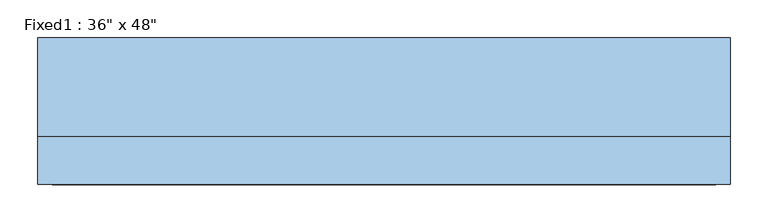
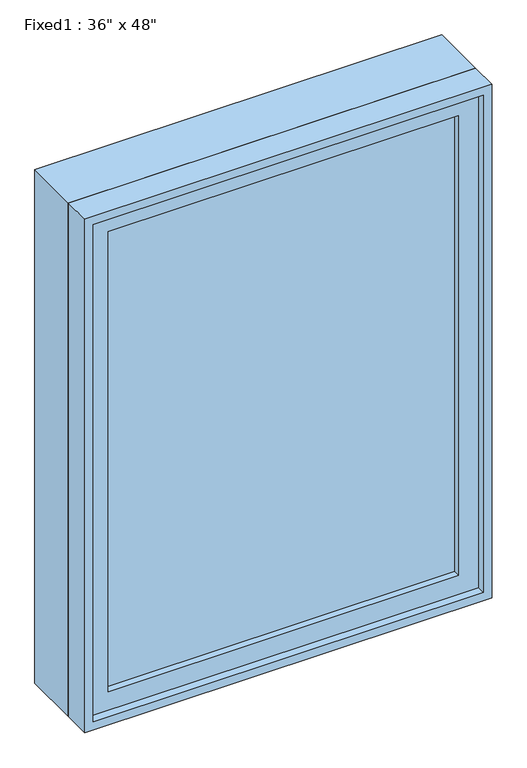
"""IFC4 building model written with IfcOpenShell, lengths in millimetres: window geometry."""

from ifc_helpers import new_model, si_unit, frame, origin, place, context, project, spatial, polyline, outline, extrude, source, transform, mapped, element, save


def window_af1cac06(model_context):
    return source(origin(), model_context, "Body", "SweptSolid", [
        extrude(outline(polyline([(355.6, -49.2125), (355.6, -61.9125), (-431.8, -61.9125), (-431.8, -49.2125), (355.6, -49.2125)])), frame((0.0, 0.0, 977.9), z_axis=(0.0, 0.0, 1.0), x_axis=(1.0, 0.0, 0.0)), (0.0, 0.0, 1.0), 1092.2),
        extrude(outline(polyline([(2114.55, -476.25), (933.45, -476.25), (933.45, 400.05), (2114.55, 400.05), (2114.55, -476.25)]), holes=[polyline([(2070.1, -431.8), (2070.1, 355.6), (977.9, 355.6), (977.9, -431.8), (2070.1, -431.8)])]), frame((0.0, -77.7875, 0.0), z_axis=(0.0, 1.0, 0.0), x_axis=(0.0, 0.0, 1.0)), (0.0, 0.0, 1.0), 44.45),
        extrude(outline(polyline([(2133.6, -495.3), (914.4, -495.3), (914.4, 419.1), (2133.6, 419.1), (2133.6, -495.3)]), holes=[polyline([(2101.85, -463.55), (2101.85, 387.35), (946.15, 387.35), (946.15, -463.55), (2101.85, -463.55)])]), frame((0.0, -33.3375, 0.0), z_axis=(0.0, 1.0, 0.0), x_axis=(0.0, 0.0, 1.0)), (0.0, 0.0, 1.0), 130.175),
        extrude(outline(polyline([(2133.6, 419.1), (2133.6, -495.3), (914.4, -495.3), (914.4, 419.1), (2133.6, 419.1)]), holes=[polyline([(2114.55, 400.05), (933.45, 400.05), (933.45, -476.25), (2114.55, -476.25), (2114.55, 400.05)])]), frame((0.0, -96.8375, 0.0), z_axis=(0.0, 1.0, 0.0), x_axis=(0.0, 0.0, 1.0)), (0.0, 0.0, 1.0), 63.5),
    ])


if __name__ == "__main__":
    model = new_model("IFC4")
    model_context = context("Model", 3, world=origin())
    ifc_project = project(units=[si_unit("LENGTHUNIT", "METRE", prefix="MILLI")], contexts=[model_context])
    site = spatial("IfcSite", under=ifc_project)
    building = spatial("IfcBuilding", under=site)
    placement = place(None, origin())
    window_shape = window_af1cac06(model_context)
    element("IfcWindow", 1, ObjectType="Fixed1 : 36\" x 48\"", at=placement, inside=building, context=model_context, shape_type="MappedRepresentation", body=[
        mapped(window_shape, transform((0.0, 0.0, 0.0), x_axis=(1.0, 0.0, 0.0), y_axis=(0.0, 1.0, 0.0), z_axis=(0.0, 0.0, 1.0))),
    ])
    save(model, "model.ifc")
